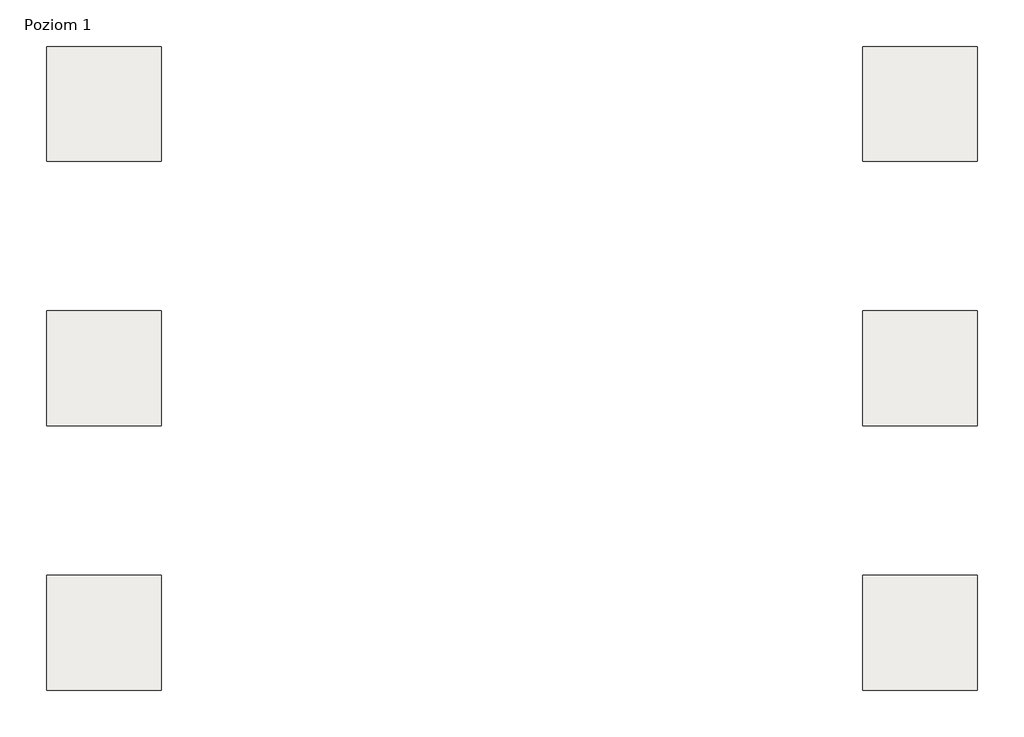
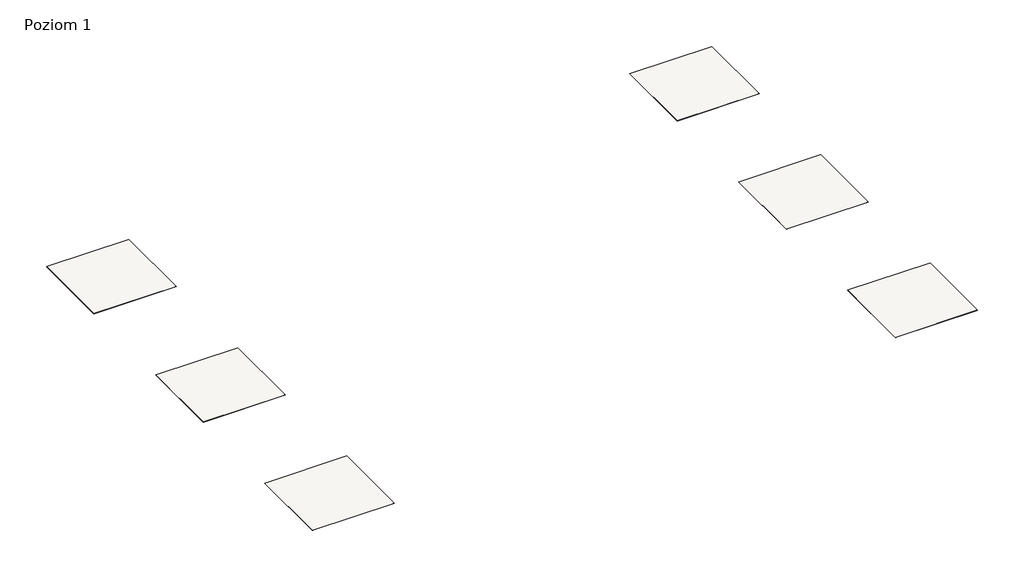
# One storey: 6 slabs.
"""IFC4 building model written with IfcOpenShell, lengths in millimetres."""

from ifc_helpers import new_model, si_unit, frame, origin, place, context, project, spatial, polyline, outline, extrude, element, save

model = new_model("IFC4")

# Units and contexts
model_context = context("Model", 3, world=origin())
ifc_project = project(units=[si_unit("LENGTHUNIT", "METRE", prefix="MILLI")], contexts=[model_context])

# Site, building, storey
site = spatial("IfcSite", under=ifc_project)
building = spatial("IfcBuilding", under=site)
storey = spatial("IfcBuildingStorey", under=building, Name="Poziom 1", Elevation=0.0)

# Slabs
placement = place(None, origin())
element("IfcSlab", 1, at=placement, inside=storey, context=model_context, shape_type="SweptSolid", body=[
    extrude(outline(polyline([(3036.5009197, 24640.1445193), (3036.5009197, 23640.1445193), (2036.5009197, 23640.1445193), (2036.5009197, 24640.1445193), (3036.5009197, 24640.1445193)])), frame((0.0, 0.0, -2.0), z_axis=(0.0, 0.0, 1.0), x_axis=(1.0, 0.0, 0.0)), (0.0, 0.0, 1.0), 2.0),
])
element("IfcSlab", 2, at=placement, inside=storey, context=model_context, shape_type="SweptSolid", body=[
    extrude(outline(polyline([(3036.5009197, 22340.1445193), (3036.5009197, 21340.1445193), (2036.5009197, 21340.1445193), (2036.5009197, 22340.1445193), (3036.5009197, 22340.1445193)])), frame((0.0, 0.0, -2.0), z_axis=(0.0, 0.0, 1.0), x_axis=(1.0, 0.0, 0.0)), (0.0, 0.0, 1.0), 2.0),
])
element("IfcSlab", 3, at=placement, inside=storey, context=model_context, shape_type="SweptSolid", body=[
    extrude(outline(polyline([(3036.5009197, 20040.1445193), (3036.5009197, 19040.1445193), (2036.5009197, 19040.1445193), (2036.5009197, 20040.1445193), (3036.5009197, 20040.1445193)])), frame((0.0, 0.0, -2.0), z_axis=(0.0, 0.0, 1.0), x_axis=(1.0, 0.0, 0.0)), (0.0, 0.0, 1.0), 2.0),
])
element("IfcSlab", 4, at=placement, inside=storey, context=model_context, shape_type="SweptSolid", body=[
    extrude(outline(polyline([(10136.5009197, 24640.1445193), (10136.5009197, 23640.1445193), (9136.5009197, 23640.1445193), (9136.5009197, 24640.1445193), (10136.5009197, 24640.1445193)])), frame((0.0, 0.0, -2.0), z_axis=(0.0, 0.0, 1.0), x_axis=(1.0, 0.0, 0.0)), (0.0, 0.0, 1.0), 2.0),
])
element("IfcSlab", 5, at=placement, inside=storey, context=model_context, shape_type="SweptSolid", body=[
    extrude(outline(polyline([(10136.5009197, 22340.1445193), (10136.5009197, 21340.1445193), (9136.5009197, 21340.1445193), (9136.5009197, 22340.1445193), (10136.5009197, 22340.1445193)])), frame((0.0, 0.0, -2.0), z_axis=(0.0, 0.0, 1.0), x_axis=(1.0, 0.0, 0.0)), (0.0, 0.0, 1.0), 2.0),
])
element("IfcSlab", 6, at=placement, inside=storey, context=model_context, shape_type="SweptSolid", body=[
    extrude(outline(polyline([(10136.5009197, 20040.1445193), (10136.5009197, 19040.1445193), (9136.5009197, 19040.1445193), (9136.5009197, 20040.1445193), (10136.5009197, 20040.1445193)])), frame((0.0, 0.0, -2.0), z_axis=(0.0, 0.0, 1.0), x_axis=(1.0, 0.0, 0.0)), (0.0, 0.0, 1.0), 2.0),
])

save(model, "model.ifc")
